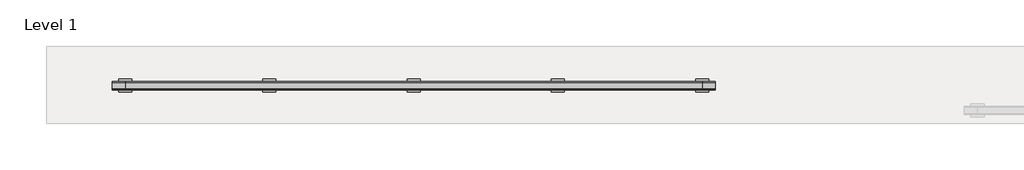
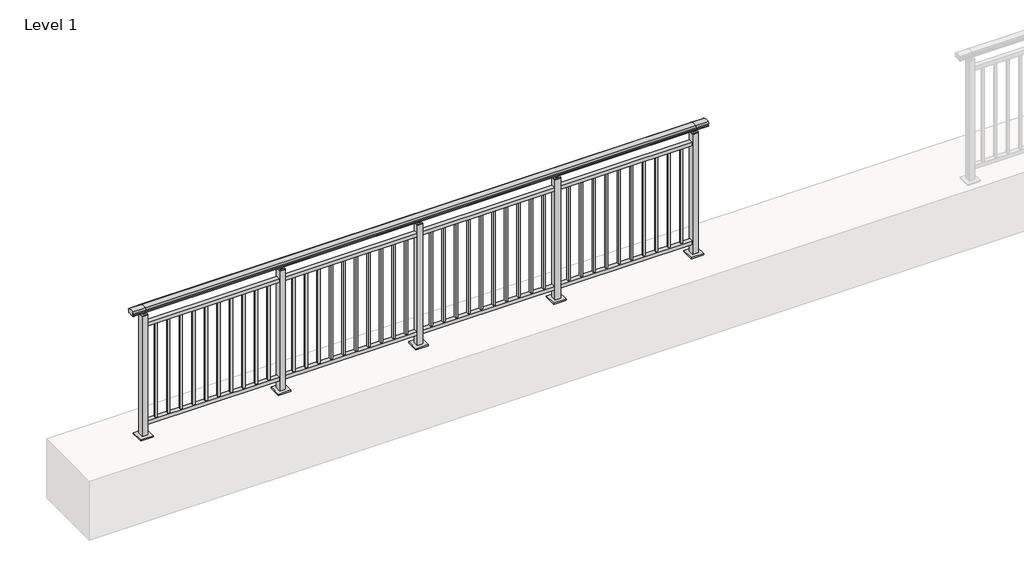
# One storey, part 7 of 64: 1 railing.
"""IFC4 building model written with IfcOpenShell, lengths in millimetres."""

from ifc_helpers import new_model, si_unit, frame, origin, origin_with_axes, place, context, project, spatial, polyline, circle_curve, outline, extrude, element, save
from ifc_brep_helpers import plane_surface, cylinder_surface, revolved_surface, advanced_brep

model = new_model("IFC4")

# Units and contexts
model_context = context("Model", 3, world=origin())
ifc_project = project(units=[si_unit("LENGTHUNIT", "METRE", prefix="MILLI")], contexts=[model_context])

# Site, building, storey
site = spatial("IfcSite", under=ifc_project)
building = spatial("IfcBuilding", under=site)
storey = spatial("IfcBuildingStorey", under=building, Name="Level 1", Elevation=0.0)

# Railing
placement = place(None, origin())
element("IfcRailing", 1, at=placement, inside=storey, context=model_context, shape_type="SolidModel", body=[
    advanced_brep(
    [(-100.0, 5215.3633756, 1095.6691182), (-100.0, 5220.1846828, 1081.1334092), (-100.0, 5219.2413744, 1069.2539035), (-100.0, 5221.1364177, 1061.4863007), (-100.0, 5219.4894799, 1060.384124), (-100.0, 5219.4894799, 1062.0), (-100.0, 5160.8798858, 1062.0), (-100.0, 5160.8798858, 1060.384124), (-100.0, 5159.232948, 1061.4863007), (-100.0, 5161.1279912, 1069.2539035), (-100.0, 5160.1846828, 1081.1334092), (-100.0, 5165.00599, 1095.6691182), (4500.0, 5215.3633756, 1095.6691182), (4500.0, 5165.00599, 1095.6691182), (4500.0, 5160.1846828, 1081.1334092), (4500.0, 5161.1279912, 1069.2539035), (4500.0, 5159.232948, 1061.4863007), (4500.0, 5160.8798858, 1060.384124), (4500.0, 5160.8798858, 1062.0), (4500.0, 5219.4894799, 1062.0), (4500.0, 5219.4894799, 1060.384124), (4500.0, 5221.1364177, 1061.4863007), (4500.0, 5219.2413744, 1069.2539035), (4500.0, 5220.1846828, 1081.1334092), (0.0, 5215.3633756, 1095.6691182), (0.0, 5220.1846828, 1081.1334092), (0.0, 5219.2413744, 1069.2539035), (0.0, 5221.1364177, 1061.4863007), (0.0, 5219.4894799, 1060.384124), (0.0, 5219.4894799, 1062.0), (0.0, 5160.8798858, 1062.0), (0.0, 5160.8798858, 1060.384124), (0.0, 5159.232948, 1061.4863007), (0.0, 5161.1279912, 1069.2539035), (0.0, 5160.1846828, 1081.1334092), (0.0, 5165.00599, 1095.6691182), (4400.0, 5215.3633756, 1095.6691182), (4400.0, 5220.1846828, 1081.1334092), (4400.0, 5219.2413744, 1069.2539035), (4400.0, 5221.1364177, 1061.4863007), (4400.0, 5219.4894799, 1060.384124), (4400.0, 5219.4894799, 1062.0), (4400.0, 5160.8798858, 1062.0), (4400.0, 5160.8798858, 1060.384124), (4400.0, 5159.232948, 1061.4863007), (4400.0, 5161.1279912, 1069.2539035), (4400.0, 5160.1846828, 1081.1334092), (4400.0, 5165.00599, 1095.6691182)],
    [
        (0, 1, circle_curve(frame((-100.0, 5212.1223845, 1086.526686), z_axis=(-1.0, 0.0, 0.0), x_axis=(0.0, -1.0, 0.0)), 9.6999015)),
        (1, 2, circle_curve(frame((-100.0, 5237.7252545, 1073.7633709), z_axis=(1.0, 0.0, 0.0), x_axis=(0.0, -1.0, 0.0)), 19.0260117)),
        (2, 3),
        (3, 4, circle_curve(frame((-100.0, 5220.2772073, 1060.9886194), z_axis=(-1.0, 0.0, 0.0), x_axis=(0.0, -1.0, 0.0)), 0.9929396)),
        (4, 5),
        (5, 6),
        (6, 7),
        (7, 8, circle_curve(frame((-100.0, 5160.0921584, 1060.9886194), z_axis=(-1.0, 0.0, 0.0), x_axis=(0.0, 1.0, 0.0)), 0.9929396)),
        (8, 9),
        (9, 10, circle_curve(frame((-100.0, 5142.6441111, 1073.7633709), z_axis=(1.0, 0.0, 0.0), x_axis=(0.0, 1.0, 0.0)), 19.0260117)),
        (10, 11, circle_curve(frame((-100.0, 5168.2469812, 1086.526686), z_axis=(-1.0, 0.0, 0.0), x_axis=(0.0, 1.0, 0.0)), 9.6999015)),
        (11, 0, circle_curve(frame((-100.0, 5190.1846828, 1024.6431628), z_axis=(-1.0, 0.0, 0.0), x_axis=(0.0, 1.0, 0.0)), 75.3568372)),
        (12, 13, circle_curve(frame((4500.0, 5190.1846828, 1024.6431628), z_axis=(1.0, 0.0, 0.0), x_axis=(0.0, 1.0, 0.0)), 75.3568372)),
        (13, 14, circle_curve(frame((4500.0, 5168.2469812, 1086.526686), z_axis=(1.0, 0.0, 0.0), x_axis=(0.0, 1.0, 0.0)), 9.6999015)),
        (14, 15, circle_curve(frame((4500.0, 5142.6441111, 1073.7633709), z_axis=(-1.0, 0.0, 0.0), x_axis=(0.0, 1.0, 0.0)), 19.0260117)),
        (15, 16),
        (16, 17, circle_curve(frame((4500.0, 5160.0921584, 1060.9886194), z_axis=(1.0, 0.0, 0.0), x_axis=(0.0, 1.0, 0.0)), 0.9929396)),
        (17, 18),
        (18, 19),
        (19, 20),
        (20, 21, circle_curve(frame((4500.0, 5220.2772073, 1060.9886194), z_axis=(1.0, 0.0, 0.0), x_axis=(0.0, -1.0, 0.0)), 0.9929396)),
        (21, 22),
        (22, 23, circle_curve(frame((4500.0, 5237.7252545, 1073.7633709), z_axis=(-1.0, 0.0, 0.0), x_axis=(0.0, -1.0, 0.0)), 19.0260117)),
        (23, 12, circle_curve(frame((4500.0, 5212.1223845, 1086.526686), z_axis=(1.0, 0.0, 0.0), x_axis=(0.0, -1.0, 0.0)), 9.6999015)),
        (0, 24),
        (24, 25, circle_curve(frame((0.0, 5212.1223845, 1086.526686), z_axis=(-1.0, 0.0, 0.0), x_axis=(0.0, -1.0, 0.0)), 9.6999015)),
        (25, 1),
        (25, 26, circle_curve(frame((0.0, 5237.7252545, 1073.7633709), z_axis=(1.0, 0.0, 0.0), x_axis=(0.0, -1.0, 0.0)), 19.0260117)),
        (26, 2),
        (26, 27),
        (27, 3),
        (27, 28, circle_curve(frame((0.0, 5220.2772073, 1060.9886194), z_axis=(-1.0, 0.0, 0.0), x_axis=(0.0, -1.0, 0.0)), 0.9929396)),
        (28, 4),
        (28, 29),
        (29, 5),
        (29, 30),
        (30, 6),
        (30, 31),
        (31, 7),
        (31, 32, circle_curve(frame((0.0, 5160.0921584, 1060.9886194), z_axis=(-1.0, 0.0, 0.0), x_axis=(0.0, 1.0, 0.0)), 0.9929396)),
        (32, 8),
        (32, 33),
        (33, 9),
        (33, 34, circle_curve(frame((0.0, 5142.6441111, 1073.7633709), z_axis=(1.0, 0.0, 0.0), x_axis=(0.0, 1.0, 0.0)), 19.0260117)),
        (34, 10),
        (34, 35, circle_curve(frame((0.0, 5168.2469812, 1086.526686), z_axis=(-1.0, 0.0, 0.0), x_axis=(0.0, 1.0, 0.0)), 9.6999015)),
        (35, 11),
        (35, 24, circle_curve(frame((0.0, 5190.1846828, 1024.6431628), z_axis=(-1.0, 0.0, 0.0), x_axis=(0.0, 1.0, 0.0)), 75.3568372)),
        (24, 36),
        (36, 37, circle_curve(frame((4400.0, 5212.1223845, 1086.526686), z_axis=(-1.0, 0.0, 0.0), x_axis=(0.0, -1.0, 0.0)), 9.6999015)),
        (37, 25),
        (37, 38, circle_curve(frame((4400.0, 5237.7252545, 1073.7633709), z_axis=(1.0, 0.0, 0.0), x_axis=(0.0, -1.0, 0.0)), 19.0260117)),
        (38, 26),
        (38, 39),
        (39, 27),
        (39, 40, circle_curve(frame((4400.0, 5220.2772073, 1060.9886194), z_axis=(-1.0, 0.0, 0.0), x_axis=(0.0, -1.0, 0.0)), 0.9929396)),
        (40, 28),
        (40, 41),
        (41, 29),
        (41, 42),
        (42, 30),
        (42, 43),
        (43, 31),
        (43, 44, circle_curve(frame((4400.0, 5160.0921584, 1060.9886194), z_axis=(-1.0, 0.0, 0.0), x_axis=(0.0, 1.0, 0.0)), 0.9929396)),
        (44, 32),
        (44, 45),
        (45, 33),
        (45, 46, circle_curve(frame((4400.0, 5142.6441111, 1073.7633709), z_axis=(1.0, 0.0, 0.0), x_axis=(0.0, 1.0, 0.0)), 19.0260117)),
        (46, 34),
        (46, 47, circle_curve(frame((4400.0, 5168.2469812, 1086.526686), z_axis=(-1.0, 0.0, 0.0), x_axis=(0.0, 1.0, 0.0)), 9.6999015)),
        (47, 35),
        (47, 36, circle_curve(frame((4400.0, 5190.1846828, 1024.6431628), z_axis=(-1.0, 0.0, 0.0), x_axis=(0.0, 1.0, 0.0)), 75.3568372)),
        (36, 12),
        (23, 37),
        (22, 38),
        (21, 39),
        (20, 40),
        (19, 41),
        (18, 42),
        (17, 43),
        (16, 44),
        (15, 45),
        (14, 46),
        (13, 47),
    ],
    [
        plane_surface(frame((-100.0, 5190.1846828, 1100.0), z_axis=(-1.0, 0.0, 0.0), x_axis=(0.0, 1.0, 0.0))),
        plane_surface(frame((4500.0, 5190.1846828, 1100.0), z_axis=(1.0, 0.0, 0.0), x_axis=(0.0, 1.0, 0.0))),
        cylinder_surface(frame((-100.0, 5212.1223845, 1086.526686), z_axis=(-1.0, 0.0, 0.0), x_axis=(0.0, -1.0, 0.0)), 9.6999015),
        revolved_surface(polyline([(0.0, 5218.6992428, 1073.7633709), (-100.0, 5218.6992428, 1073.7633709)]), (-100.0, 5237.7252545, 1073.7633709), (1.0, 0.0, 0.0)),
        plane_surface(frame((-100.0, 5219.2413744, 1069.2539035), z_axis=(0.0, 0.9715057689301543, 0.2370159086125439), x_axis=(1.0, 0.0, 0.0))),
        cylinder_surface(frame((-100.0, 5220.2772073, 1060.9886194), z_axis=(-1.0, 0.0, 0.0), x_axis=(0.0, -1.0, 0.0)), 0.9929396),
        plane_surface(frame((-100.0, 5219.4894799, 1060.384124), z_axis=(0.0, -1.0, 0.0), x_axis=(1.0, 0.0, 0.0))),
        plane_surface(frame((-100.0, 5219.4894799, 1062.0), z_axis=(0.0, 0.0, -1.0), x_axis=(1.0, 0.0, 0.0))),
        plane_surface(frame((-100.0, 5160.8798858, 1062.0), z_axis=(0.0, 1.0, 0.0), x_axis=(1.0, 0.0, 0.0))),
        cylinder_surface(frame((-100.0, 5160.0921584, 1060.9886194), z_axis=(-1.0, 0.0, 0.0), x_axis=(0.0, 1.0, 0.0)), 0.9929396),
        plane_surface(frame((-100.0, 5159.232948, 1061.4863007), z_axis=(0.0, -0.9715057689301543, 0.2370159086125439), x_axis=(1.0, 0.0, 0.0))),
        revolved_surface(polyline([(0.0, 5161.6701228, 1073.7633709), (-100.0, 5161.6701228, 1073.7633709)]), (-100.0, 5142.6441111, 1073.7633709), (1.0, 0.0, 0.0)),
        cylinder_surface(frame((-100.0, 5168.2469812, 1086.526686), z_axis=(-1.0, 0.0, 0.0), x_axis=(0.0, 1.0, 0.0)), 9.6999015),
        cylinder_surface(frame((-100.0, 5190.1846828, 1024.6431628), z_axis=(-1.0, 0.0, 0.0), x_axis=(0.0, 1.0, 0.0)), 75.3568372),
        cylinder_surface(frame((0.0, 5212.1223845, 1086.526686), z_axis=(-1.0, 0.0, 0.0), x_axis=(0.0, -1.0, 0.0)), 9.6999015),
        revolved_surface(polyline([(4400.0, 5218.6992428, 1073.7633709), (0.0, 5218.6992428, 1073.7633709)]), (0.0, 5237.7252545, 1073.7633709), (1.0, 0.0, 0.0)),
        plane_surface(frame((0.0, 5219.2413744, 1069.2539035), z_axis=(0.0, 0.9715057689301543, 0.2370159086125439), x_axis=(1.0, 0.0, 0.0))),
        cylinder_surface(frame((0.0, 5220.2772073, 1060.9886194), z_axis=(-1.0, 0.0, 0.0), x_axis=(0.0, -1.0, 0.0)), 0.9929396),
        plane_surface(frame((0.0, 5219.4894799, 1060.384124), z_axis=(0.0, -1.0, 0.0), x_axis=(1.0, 0.0, 0.0))),
        plane_surface(frame((0.0, 5219.4894799, 1062.0), z_axis=(0.0, 0.0, -1.0), x_axis=(1.0, 0.0, 0.0))),
        plane_surface(frame((0.0, 5160.8798858, 1062.0), z_axis=(0.0, 1.0, 0.0), x_axis=(1.0, 0.0, 0.0))),
        cylinder_surface(frame((0.0, 5160.0921584, 1060.9886194), z_axis=(-1.0, 0.0, 0.0), x_axis=(0.0, 1.0, 0.0)), 0.9929396),
        plane_surface(frame((0.0, 5159.232948, 1061.4863007), z_axis=(0.0, -0.9715057689301543, 0.2370159086125439), x_axis=(1.0, 0.0, 0.0))),
        revolved_surface(polyline([(4400.0, 5161.6701228, 1073.7633709), (0.0, 5161.6701228, 1073.7633709)]), (0.0, 5142.6441111, 1073.7633709), (1.0, 0.0, 0.0)),
        cylinder_surface(frame((0.0, 5168.2469812, 1086.526686), z_axis=(-1.0, 0.0, 0.0), x_axis=(0.0, 1.0, 0.0)), 9.6999015),
        cylinder_surface(frame((0.0, 5190.1846828, 1024.6431628), z_axis=(-1.0, 0.0, 0.0), x_axis=(0.0, 1.0, 0.0)), 75.3568372),
        cylinder_surface(frame((4400.0, 5212.1223845, 1086.526686), z_axis=(-1.0, 0.0, 0.0), x_axis=(0.0, -1.0, 0.0)), 9.6999015),
        revolved_surface(polyline([(4500.0, 5218.6992428, 1073.7633709), (4400.0, 5218.6992428, 1073.7633709)]), (4400.0, 5237.7252545, 1073.7633709), (1.0, 0.0, 0.0)),
        plane_surface(frame((4400.0, 5219.2413744, 1069.2539035), z_axis=(0.0, 0.9715057689301543, 0.2370159086125439), x_axis=(1.0, 0.0, 0.0))),
        cylinder_surface(frame((4400.0, 5220.2772073, 1060.9886194), z_axis=(-1.0, 0.0, 0.0), x_axis=(0.0, -1.0, 0.0)), 0.9929396),
        plane_surface(frame((4400.0, 5219.4894799, 1060.384124), z_axis=(0.0, -1.0, 0.0), x_axis=(1.0, 0.0, 0.0))),
        plane_surface(frame((4400.0, 5219.4894799, 1062.0), z_axis=(0.0, 0.0, -1.0), x_axis=(1.0, 0.0, 0.0))),
        plane_surface(frame((4400.0, 5160.8798858, 1062.0), z_axis=(0.0, 1.0, 0.0), x_axis=(1.0, 0.0, 0.0))),
        cylinder_surface(frame((4400.0, 5160.0921584, 1060.9886194), z_axis=(-1.0, 0.0, 0.0), x_axis=(0.0, 1.0, 0.0)), 0.9929396),
        plane_surface(frame((4400.0, 5159.232948, 1061.4863007), z_axis=(0.0, -0.9715057689301543, 0.2370159086125439), x_axis=(1.0, 0.0, 0.0))),
        revolved_surface(polyline([(4500.0, 5161.6701228, 1073.7633709), (4400.0, 5161.6701228, 1073.7633709)]), (4400.0, 5142.6441111, 1073.7633709), (1.0, 0.0, 0.0)),
        cylinder_surface(frame((4400.0, 5168.2469812, 1086.526686), z_axis=(-1.0, 0.0, 0.0), x_axis=(0.0, 1.0, 0.0)), 9.6999015),
        cylinder_surface(frame((4400.0, 5190.1846828, 1024.6431628), z_axis=(-1.0, 0.0, 0.0), x_axis=(0.0, 1.0, 0.0)), 75.3568372),
    ],
    [
        (0, [[1, 2, 3, 4, 5, 6, 7, 8, 9, 10, 11, 12]]),
        (1, [[13, 14, 15, 16, 17, 18, 19, 20, 21, 22, 23, 24]]),
        (2, [[-1, 25, 26, 27]]),
        (3, [[-2, -27, 28, 29]]),
        (4, [[-3, -29, 30, 31]]),
        (5, [[-4, -31, 32, 33]]),
        (6, [[-5, -33, 34, 35]]),
        (7, [[-6, -35, 36, 37]]),
        (8, [[-7, -37, 38, 39]]),
        (9, [[-8, -39, 40, 41]]),
        (10, [[-9, -41, 42, 43]]),
        (11, [[-10, -43, 44, 45]]),
        (12, [[-11, -45, 46, 47]]),
        (13, [[-12, -47, 48, -25]]),
        (14, [[-26, 49, 50, 51]]),
        (15, [[-28, -51, 52, 53]]),
        (16, [[-30, -53, 54, 55]]),
        (17, [[-32, -55, 56, 57]]),
        (18, [[-34, -57, 58, 59]]),
        (19, [[-36, -59, 60, 61]]),
        (20, [[-38, -61, 62, 63]]),
        (21, [[-40, -63, 64, 65]]),
        (22, [[-42, -65, 66, 67]]),
        (23, [[-44, -67, 68, 69]]),
        (24, [[-46, -69, 70, 71]]),
        (25, [[-48, -71, 72, -49]]),
        (26, [[-50, 73, -24, 74]]),
        (27, [[-52, -74, -23, 75]]),
        (28, [[-54, -75, -22, 76]]),
        (29, [[-56, -76, -21, 77]]),
        (30, [[-58, -77, -20, 78]]),
        (31, [[-60, -78, -19, 79]]),
        (32, [[-62, -79, -18, 80]]),
        (33, [[-64, -80, -17, 81]]),
        (34, [[-66, -81, -16, 82]]),
        (35, [[-68, -82, -15, 83]]),
        (36, [[-70, -83, -14, 84]]),
        (37, [[-72, -84, -13, -73]]),
    ],
),
    extrude(outline(polyline([(0.0, 5172.6846828), (0.0, 5207.6846828), (4400.0, 5207.6846828), (4400.0, 5172.6846828), (0.0, 5172.6846828)])), frame((0.0, 0.0, 930.0), z_axis=(0.0, 0.0, 1.0), x_axis=(1.0, 0.0, 0.0)), (0.0, 0.0, 1.0), 30.0),
    extrude(outline(polyline([(0.0, 5172.6846828), (0.0, 5207.6846828), (4400.0, 5207.6846828), (4400.0, 5172.6846828), (0.0, 5172.6846828)])), frame((0.0, 0.0, 95.0), z_axis=(0.0, 0.0, 1.0), x_axis=(1.0, 0.0, 0.0)), (0.0, 0.0, 1.0), 30.0),
    extrude(outline(polyline([(4308.5, 5198.6846828), (4308.5, 5181.6846828), (4291.5, 5181.6846828), (4291.5, 5198.6846828), (4308.5, 5198.6846828)])), frame((0.0, 0.0, 125.0), z_axis=(0.0, 0.0, 1.0), x_axis=(1.0, 0.0, 0.0)), (0.0, 0.0, 1.0), 805.0),
    extrude(outline(polyline([(4208.5, 5198.6846828), (4208.5, 5181.6846828), (4191.5, 5181.6846828), (4191.5, 5198.6846828), (4208.5, 5198.6846828)])), frame((0.0, 0.0, 125.0), z_axis=(0.0, 0.0, 1.0), x_axis=(1.0, 0.0, 0.0)), (0.0, 0.0, 1.0), 805.0),
    extrude(outline(polyline([(4108.5, 5198.6846828), (4108.5, 5181.6846828), (4091.5, 5181.6846828), (4091.5, 5198.6846828), (4108.5, 5198.6846828)])), frame((0.0, 0.0, 125.0), z_axis=(0.0, 0.0, 1.0), x_axis=(1.0, 0.0, 0.0)), (0.0, 0.0, 1.0), 805.0),
    extrude(outline(polyline([(4008.5, 5198.6846828), (4008.5, 5181.6846828), (3991.5, 5181.6846828), (3991.5, 5198.6846828), (4008.5, 5198.6846828)])), frame((0.0, 0.0, 125.0), z_axis=(0.0, 0.0, 1.0), x_axis=(1.0, 0.0, 0.0)), (0.0, 0.0, 1.0), 805.0),
    extrude(outline(polyline([(3908.5, 5198.6846828), (3908.5, 5181.6846828), (3891.5, 5181.6846828), (3891.5, 5198.6846828), (3908.5, 5198.6846828)])), frame((0.0, 0.0, 125.0), z_axis=(0.0, 0.0, 1.0), x_axis=(1.0, 0.0, 0.0)), (0.0, 0.0, 1.0), 805.0),
    extrude(outline(polyline([(3808.5, 5198.6846828), (3808.5, 5181.6846828), (3791.5, 5181.6846828), (3791.5, 5198.6846828), (3808.5, 5198.6846828)])), frame((0.0, 0.0, 125.0), z_axis=(0.0, 0.0, 1.0), x_axis=(1.0, 0.0, 0.0)), (0.0, 0.0, 1.0), 805.0),
    extrude(outline(polyline([(3708.5, 5198.6846828), (3708.5, 5181.6846828), (3691.5, 5181.6846828), (3691.5, 5198.6846828), (3708.5, 5198.6846828)])), frame((0.0, 0.0, 125.0), z_axis=(0.0, 0.0, 1.0), x_axis=(1.0, 0.0, 0.0)), (0.0, 0.0, 1.0), 805.0),
    extrude(outline(polyline([(3608.5, 5198.6846828), (3608.5, 5181.6846828), (3591.5, 5181.6846828), (3591.5, 5198.6846828), (3608.5, 5198.6846828)])), frame((0.0, 0.0, 125.0), z_axis=(0.0, 0.0, 1.0), x_axis=(1.0, 0.0, 0.0)), (0.0, 0.0, 1.0), 805.0),
    extrude(outline(polyline([(3508.5, 5198.6846828), (3508.5, 5181.6846828), (3491.5, 5181.6846828), (3491.5, 5198.6846828), (3508.5, 5198.6846828)])), frame((0.0, 0.0, 125.0), z_axis=(0.0, 0.0, 1.0), x_axis=(1.0, 0.0, 0.0)), (0.0, 0.0, 1.0), 805.0),
    extrude(outline(polyline([(3408.5, 5198.6846828), (3408.5, 5181.6846828), (3391.5, 5181.6846828), (3391.5, 5198.6846828), (3408.5, 5198.6846828)])), frame((0.0, 0.0, 125.0), z_axis=(0.0, 0.0, 1.0), x_axis=(1.0, 0.0, 0.0)), (0.0, 0.0, 1.0), 805.0),
    extrude(outline(polyline([(3310.0, 5180.1846828), (3290.0, 5180.1846828), (3290.0, 5200.1846828), (3310.0, 5200.1846828), (3310.0, 5180.1846828)])), frame((0.0, 0.0, 1035.0), z_axis=(0.0, 0.0, 1.0), x_axis=(1.0, 0.0, 0.0)), (0.0, 0.0, 1.0), 20.0),
    extrude(outline(polyline([(3322.5, 5167.6846828), (3277.5, 5167.6846828), (3277.5, 5212.6846828), (3322.5, 5212.6846828), (3322.5, 5167.6846828)])), frame((0.0, 0.0, 1027.0), z_axis=(0.0, 0.0, 1.0), x_axis=(1.0, 0.0, 0.0)), (0.0, 0.0, 1.0), 8.0),
    extrude(outline(polyline([(3350.0, 5140.1846828), (3250.0, 5140.1846828), (3250.0, 5240.1846828), (3350.0, 5240.1846828), (3350.0, 5140.1846828)])), origin_with_axes(), (0.0, 0.0, 1.0), 12.0),
    extrude(outline(polyline([(3322.5, 5167.6846828), (3277.5, 5167.6846828), (3277.5, 5212.6846828), (3322.5, 5212.6846828), (3322.5, 5167.6846828)])), frame((0.0, 0.0, 12.0), z_axis=(0.0, 0.0, 1.0), x_axis=(1.0, 0.0, 0.0)), (0.0, 0.0, 1.0), 1015.0),
    extrude(outline(polyline([(3208.5, 5198.6846828), (3208.5, 5181.6846828), (3191.5, 5181.6846828), (3191.5, 5198.6846828), (3208.5, 5198.6846828)])), frame((0.0, 0.0, 125.0), z_axis=(0.0, 0.0, 1.0), x_axis=(1.0, 0.0, 0.0)), (0.0, 0.0, 1.0), 805.0),
    extrude(outline(polyline([(3108.5, 5198.6846828), (3108.5, 5181.6846828), (3091.5, 5181.6846828), (3091.5, 5198.6846828), (3108.5, 5198.6846828)])), frame((0.0, 0.0, 125.0), z_axis=(0.0, 0.0, 1.0), x_axis=(1.0, 0.0, 0.0)), (0.0, 0.0, 1.0), 805.0),
    extrude(outline(polyline([(3008.5, 5198.6846828), (3008.5, 5181.6846828), (2991.5, 5181.6846828), (2991.5, 5198.6846828), (3008.5, 5198.6846828)])), frame((0.0, 0.0, 125.0), z_axis=(0.0, 0.0, 1.0), x_axis=(1.0, 0.0, 0.0)), (0.0, 0.0, 1.0), 805.0),
    extrude(outline(polyline([(2908.5, 5198.6846828), (2908.5, 5181.6846828), (2891.5, 5181.6846828), (2891.5, 5198.6846828), (2908.5, 5198.6846828)])), frame((0.0, 0.0, 125.0), z_axis=(0.0, 0.0, 1.0), x_axis=(1.0, 0.0, 0.0)), (0.0, 0.0, 1.0), 805.0),
    extrude(outline(polyline([(2808.5, 5198.6846828), (2808.5, 5181.6846828), (2791.5, 5181.6846828), (2791.5, 5198.6846828), (2808.5, 5198.6846828)])), frame((0.0, 0.0, 125.0), z_axis=(0.0, 0.0, 1.0), x_axis=(1.0, 0.0, 0.0)), (0.0, 0.0, 1.0), 805.0),
    extrude(outline(polyline([(2708.5, 5198.6846828), (2708.5, 5181.6846828), (2691.5, 5181.6846828), (2691.5, 5198.6846828), (2708.5, 5198.6846828)])), frame((0.0, 0.0, 125.0), z_axis=(0.0, 0.0, 1.0), x_axis=(1.0, 0.0, 0.0)), (0.0, 0.0, 1.0), 805.0),
    extrude(outline(polyline([(2608.5, 5198.6846828), (2608.5, 5181.6846828), (2591.5, 5181.6846828), (2591.5, 5198.6846828), (2608.5, 5198.6846828)])), frame((0.0, 0.0, 125.0), z_axis=(0.0, 0.0, 1.0), x_axis=(1.0, 0.0, 0.0)), (0.0, 0.0, 1.0), 805.0),
    extrude(outline(polyline([(2508.5, 5198.6846828), (2508.5, 5181.6846828), (2491.5, 5181.6846828), (2491.5, 5198.6846828), (2508.5, 5198.6846828)])), frame((0.0, 0.0, 125.0), z_axis=(0.0, 0.0, 1.0), x_axis=(1.0, 0.0, 0.0)), (0.0, 0.0, 1.0), 805.0),
    extrude(outline(polyline([(2408.5, 5198.6846828), (2408.5, 5181.6846828), (2391.5, 5181.6846828), (2391.5, 5198.6846828), (2408.5, 5198.6846828)])), frame((0.0, 0.0, 125.0), z_axis=(0.0, 0.0, 1.0), x_axis=(1.0, 0.0, 0.0)), (0.0, 0.0, 1.0), 805.0),
    extrude(outline(polyline([(2308.5, 5198.6846828), (2308.5, 5181.6846828), (2291.5, 5181.6846828), (2291.5, 5198.6846828), (2308.5, 5198.6846828)])), frame((0.0, 0.0, 125.0), z_axis=(0.0, 0.0, 1.0), x_axis=(1.0, 0.0, 0.0)), (0.0, 0.0, 1.0), 805.0),
    extrude(outline(polyline([(2210.0, 5180.1846828), (2190.0, 5180.1846828), (2190.0, 5200.1846828), (2210.0, 5200.1846828), (2210.0, 5180.1846828)])), frame((0.0, 0.0, 1035.0), z_axis=(0.0, 0.0, 1.0), x_axis=(1.0, 0.0, 0.0)), (0.0, 0.0, 1.0), 20.0),
    extrude(outline(polyline([(2222.5, 5167.6846828), (2177.5, 5167.6846828), (2177.5, 5212.6846828), (2222.5, 5212.6846828), (2222.5, 5167.6846828)])), frame((0.0, 0.0, 1027.0), z_axis=(0.0, 0.0, 1.0), x_axis=(1.0, 0.0, 0.0)), (0.0, 0.0, 1.0), 8.0),
    extrude(outline(polyline([(2250.0, 5140.1846828), (2150.0, 5140.1846828), (2150.0, 5240.1846828), (2250.0, 5240.1846828), (2250.0, 5140.1846828)])), origin_with_axes(), (0.0, 0.0, 1.0), 12.0),
    extrude(outline(polyline([(2222.5, 5167.6846828), (2177.5, 5167.6846828), (2177.5, 5212.6846828), (2222.5, 5212.6846828), (2222.5, 5167.6846828)])), frame((0.0, 0.0, 12.0), z_axis=(0.0, 0.0, 1.0), x_axis=(1.0, 0.0, 0.0)), (0.0, 0.0, 1.0), 1015.0),
    extrude(outline(polyline([(2108.5, 5198.6846828), (2108.5, 5181.6846828), (2091.5, 5181.6846828), (2091.5, 5198.6846828), (2108.5, 5198.6846828)])), frame((0.0, 0.0, 125.0), z_axis=(0.0, 0.0, 1.0), x_axis=(1.0, 0.0, 0.0)), (0.0, 0.0, 1.0), 805.0),
    extrude(outline(polyline([(2008.5, 5198.6846828), (2008.5, 5181.6846828), (1991.5, 5181.6846828), (1991.5, 5198.6846828), (2008.5, 5198.6846828)])), frame((0.0, 0.0, 125.0), z_axis=(0.0, 0.0, 1.0), x_axis=(1.0, 0.0, 0.0)), (0.0, 0.0, 1.0), 805.0),
    extrude(outline(polyline([(1908.5, 5198.6846828), (1908.5, 5181.6846828), (1891.5, 5181.6846828), (1891.5, 5198.6846828), (1908.5, 5198.6846828)])), frame((0.0, 0.0, 125.0), z_axis=(0.0, 0.0, 1.0), x_axis=(1.0, 0.0, 0.0)), (0.0, 0.0, 1.0), 805.0),
    extrude(outline(polyline([(1808.5, 5198.6846828), (1808.5, 5181.6846828), (1791.5, 5181.6846828), (1791.5, 5198.6846828), (1808.5, 5198.6846828)])), frame((0.0, 0.0, 125.0), z_axis=(0.0, 0.0, 1.0), x_axis=(1.0, 0.0, 0.0)), (0.0, 0.0, 1.0), 805.0),
    extrude(outline(polyline([(1708.5, 5198.6846828), (1708.5, 5181.6846828), (1691.5, 5181.6846828), (1691.5, 5198.6846828), (1708.5, 5198.6846828)])), frame((0.0, 0.0, 125.0), z_axis=(0.0, 0.0, 1.0), x_axis=(1.0, 0.0, 0.0)), (0.0, 0.0, 1.0), 805.0),
    extrude(outline(polyline([(1608.5, 5198.6846828), (1608.5, 5181.6846828), (1591.5, 5181.6846828), (1591.5, 5198.6846828), (1608.5, 5198.6846828)])), frame((0.0, 0.0, 125.0), z_axis=(0.0, 0.0, 1.0), x_axis=(1.0, 0.0, 0.0)), (0.0, 0.0, 1.0), 805.0),
    extrude(outline(polyline([(1508.5, 5198.6846828), (1508.5, 5181.6846828), (1491.5, 5181.6846828), (1491.5, 5198.6846828), (1508.5, 5198.6846828)])), frame((0.0, 0.0, 125.0), z_axis=(0.0, 0.0, 1.0), x_axis=(1.0, 0.0, 0.0)), (0.0, 0.0, 1.0), 805.0),
    extrude(outline(polyline([(1408.5, 5198.6846828), (1408.5, 5181.6846828), (1391.5, 5181.6846828), (1391.5, 5198.6846828), (1408.5, 5198.6846828)])), frame((0.0, 0.0, 125.0), z_axis=(0.0, 0.0, 1.0), x_axis=(1.0, 0.0, 0.0)), (0.0, 0.0, 1.0), 805.0),
    extrude(outline(polyline([(1308.5, 5198.6846828), (1308.5, 5181.6846828), (1291.5, 5181.6846828), (1291.5, 5198.6846828), (1308.5, 5198.6846828)])), frame((0.0, 0.0, 125.0), z_axis=(0.0, 0.0, 1.0), x_axis=(1.0, 0.0, 0.0)), (0.0, 0.0, 1.0), 805.0),
    extrude(outline(polyline([(1208.5, 5198.6846828), (1208.5, 5181.6846828), (1191.5, 5181.6846828), (1191.5, 5198.6846828), (1208.5, 5198.6846828)])), frame((0.0, 0.0, 125.0), z_axis=(0.0, 0.0, 1.0), x_axis=(1.0, 0.0, 0.0)), (0.0, 0.0, 1.0), 805.0),
    extrude(outline(polyline([(1110.0, 5180.1846828), (1090.0, 5180.1846828), (1090.0, 5200.1846828), (1110.0, 5200.1846828), (1110.0, 5180.1846828)])), frame((0.0, 0.0, 1035.0), z_axis=(0.0, 0.0, 1.0), x_axis=(1.0, 0.0, 0.0)), (0.0, 0.0, 1.0), 20.0),
    extrude(outline(polyline([(1122.5, 5167.6846828), (1077.5, 5167.6846828), (1077.5, 5212.6846828), (1122.5, 5212.6846828), (1122.5, 5167.6846828)])), frame((0.0, 0.0, 1027.0), z_axis=(0.0, 0.0, 1.0), x_axis=(1.0, 0.0, 0.0)), (0.0, 0.0, 1.0), 8.0),
    extrude(outline(polyline([(1150.0, 5140.1846828), (1050.0, 5140.1846828), (1050.0, 5240.1846828), (1150.0, 5240.1846828), (1150.0, 5140.1846828)])), origin_with_axes(), (0.0, 0.0, 1.0), 12.0),
    extrude(outline(polyline([(1122.5, 5167.6846828), (1077.5, 5167.6846828), (1077.5, 5212.6846828), (1122.5, 5212.6846828), (1122.5, 5167.6846828)])), frame((0.0, 0.0, 12.0), z_axis=(0.0, 0.0, 1.0), x_axis=(1.0, 0.0, 0.0)), (0.0, 0.0, 1.0), 1015.0),
    extrude(outline(polyline([(1008.5, 5198.6846828), (1008.5, 5181.6846828), (991.5, 5181.6846828), (991.5, 5198.6846828), (1008.5, 5198.6846828)])), frame((0.0, 0.0, 125.0), z_axis=(0.0, 0.0, 1.0), x_axis=(1.0, 0.0, 0.0)), (0.0, 0.0, 1.0), 805.0),
    extrude(outline(polyline([(908.5, 5198.6846828), (908.5, 5181.6846828), (891.5, 5181.6846828), (891.5, 5198.6846828), (908.5, 5198.6846828)])), frame((0.0, 0.0, 125.0), z_axis=(0.0, 0.0, 1.0), x_axis=(1.0, 0.0, 0.0)), (0.0, 0.0, 1.0), 805.0),
    extrude(outline(polyline([(808.5, 5198.6846828), (808.5, 5181.6846828), (791.5, 5181.6846828), (791.5, 5198.6846828), (808.5, 5198.6846828)])), frame((0.0, 0.0, 125.0), z_axis=(0.0, 0.0, 1.0), x_axis=(1.0, 0.0, 0.0)), (0.0, 0.0, 1.0), 805.0),
    extrude(outline(polyline([(708.5, 5198.6846828), (708.5, 5181.6846828), (691.5, 5181.6846828), (691.5, 5198.6846828), (708.5, 5198.6846828)])), frame((0.0, 0.0, 125.0), z_axis=(0.0, 0.0, 1.0), x_axis=(1.0, 0.0, 0.0)), (0.0, 0.0, 1.0), 805.0),
    extrude(outline(polyline([(608.5, 5198.6846828), (608.5, 5181.6846828), (591.5, 5181.6846828), (591.5, 5198.6846828), (608.5, 5198.6846828)])), frame((0.0, 0.0, 125.0), z_axis=(0.0, 0.0, 1.0), x_axis=(1.0, 0.0, 0.0)), (0.0, 0.0, 1.0), 805.0),
    extrude(outline(polyline([(508.5, 5198.6846828), (508.5, 5181.6846828), (491.5, 5181.6846828), (491.5, 5198.6846828), (508.5, 5198.6846828)])), frame((0.0, 0.0, 125.0), z_axis=(0.0, 0.0, 1.0), x_axis=(1.0, 0.0, 0.0)), (0.0, 0.0, 1.0), 805.0),
    extrude(outline(polyline([(408.5, 5198.6846828), (408.5, 5181.6846828), (391.5, 5181.6846828), (391.5, 5198.6846828), (408.5, 5198.6846828)])), frame((0.0, 0.0, 125.0), z_axis=(0.0, 0.0, 1.0), x_axis=(1.0, 0.0, 0.0)), (0.0, 0.0, 1.0), 805.0),
    extrude(outline(polyline([(308.5, 5198.6846828), (308.5, 5181.6846828), (291.5, 5181.6846828), (291.5, 5198.6846828), (308.5, 5198.6846828)])), frame((0.0, 0.0, 125.0), z_axis=(0.0, 0.0, 1.0), x_axis=(1.0, 0.0, 0.0)), (0.0, 0.0, 1.0), 805.0),
    extrude(outline(polyline([(208.5, 5198.6846828), (208.5, 5181.6846828), (191.5, 5181.6846828), (191.5, 5198.6846828), (208.5, 5198.6846828)])), frame((0.0, 0.0, 125.0), z_axis=(0.0, 0.0, 1.0), x_axis=(1.0, 0.0, 0.0)), (0.0, 0.0, 1.0), 805.0),
    extrude(outline(polyline([(108.5, 5198.6846828), (108.5, 5181.6846828), (91.5, 5181.6846828), (91.5, 5198.6846828), (108.5, 5198.6846828)])), frame((0.0, 0.0, 125.0), z_axis=(0.0, 0.0, 1.0), x_axis=(1.0, 0.0, 0.0)), (0.0, 0.0, 1.0), 805.0),
    extrude(outline(polyline([(4410.0, 5180.1846828), (4390.0, 5180.1846828), (4390.0, 5200.1846828), (4410.0, 5200.1846828), (4410.0, 5180.1846828)])), frame((0.0, 0.0, 1035.0), z_axis=(0.0, 0.0, 1.0), x_axis=(1.0, 0.0, 0.0)), (0.0, 0.0, 1.0), 20.0),
    extrude(outline(polyline([(4422.5, 5167.6846828), (4377.5, 5167.6846828), (4377.5, 5212.6846828), (4422.5, 5212.6846828), (4422.5, 5167.6846828)])), frame((0.0, 0.0, 1027.0), z_axis=(0.0, 0.0, 1.0), x_axis=(1.0, 0.0, 0.0)), (0.0, 0.0, 1.0), 8.0),
    extrude(outline(polyline([(4450.0, 5140.1846828), (4350.0, 5140.1846828), (4350.0, 5240.1846828), (4450.0, 5240.1846828), (4450.0, 5140.1846828)])), origin_with_axes(), (0.0, 0.0, 1.0), 12.0),
    extrude(outline(polyline([(4422.5, 5167.6846828), (4377.5, 5167.6846828), (4377.5, 5212.6846828), (4422.5, 5212.6846828), (4422.5, 5167.6846828)])), frame((0.0, 0.0, 12.0), z_axis=(0.0, 0.0, 1.0), x_axis=(1.0, 0.0, 0.0)), (0.0, 0.0, 1.0), 1015.0),
    extrude(outline(polyline([(10.0, 5180.1846828), (-10.0, 5180.1846828), (-10.0, 5200.1846828), (10.0, 5200.1846828), (10.0, 5180.1846828)])), frame((0.0, 0.0, 1035.0), z_axis=(0.0, 0.0, 1.0), x_axis=(1.0, 0.0, 0.0)), (0.0, 0.0, 1.0), 20.0),
    extrude(outline(polyline([(22.5, 5167.6846828), (-22.5, 5167.6846828), (-22.5, 5212.6846828), (22.5, 5212.6846828), (22.5, 5167.6846828)])), frame((0.0, 0.0, 1027.0), z_axis=(0.0, 0.0, 1.0), x_axis=(1.0, 0.0, 0.0)), (0.0, 0.0, 1.0), 8.0),
    extrude(outline(polyline([(50.0, 5140.1846828), (-50.0, 5140.1846828), (-50.0, 5240.1846828), (50.0, 5240.1846828), (50.0, 5140.1846828)])), origin_with_axes(), (0.0, 0.0, 1.0), 12.0),
    extrude(outline(polyline([(22.5, 5167.6846828), (-22.5, 5167.6846828), (-22.5, 5212.6846828), (22.5, 5212.6846828), (22.5, 5167.6846828)])), frame((0.0, 0.0, 12.0), z_axis=(0.0, 0.0, 1.0), x_axis=(1.0, 0.0, 0.0)), (0.0, 0.0, 1.0), 1015.0),
])

save(model, "model.ifc")
